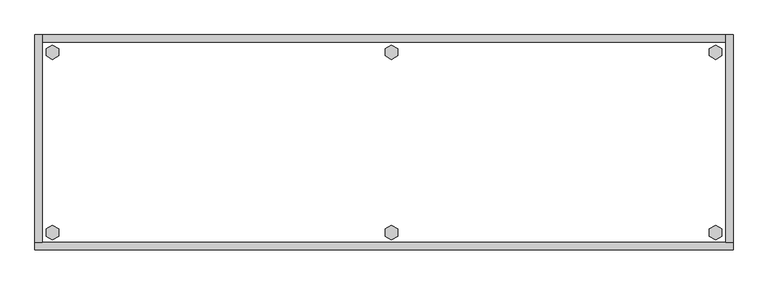
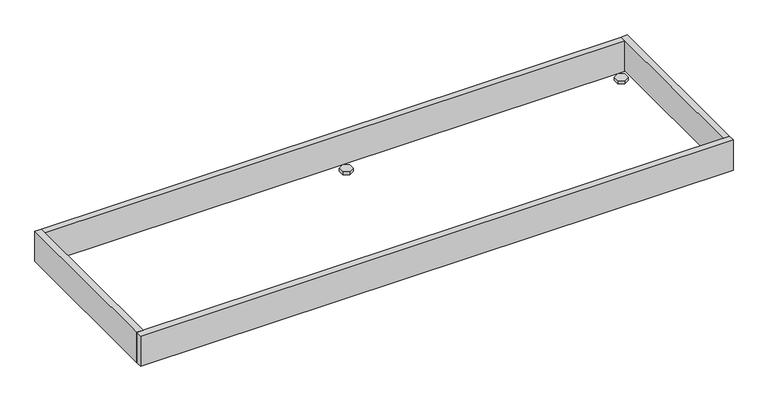
"""IFC4 building model written with IfcOpenShell, lengths in millimetres: furniture geometry."""

import ifcopenshell
import ifcopenshell.guid

model = None  # the IFC model being written
_history = None  # IfcOwnerHistory: only IFC2X3 demands one
_inside = {}  # id of a spatial element -> (the spatial element, [elements in it])
_under = {}  # id of a project, library or spatial element -> (it, [spatial elements below it])
_declared = {}  # id of a project -> (the project, [libraries it declares])
_typed = {}  # id of a type object -> (the type object, [elements of that type])
_made_of = {}  # id of a material, layer set ... -> (it, [elements and type objects made of it])


def new_model(schema):
    """Start an empty IFC model of exactly this schema.

    Asked for "IFC4X3", IfcOpenShell would pick the latest addendum, in which some entities
    have other attributes; the version numbers below select the first issue.
    IFC2X3 requires an IfcOwnerHistory on every rooted entity: one is made here for all.
    """
    global model, _history
    if schema == "IFC4X3":
        model = ifcopenshell.file(schema_version=(4, 3, 0, 0))
    else:
        model = ifcopenshell.file(schema=schema)
    _inside.clear()
    _under.clear()
    _declared.clear()
    _typed.clear()
    _made_of.clear()
    _history = None
    if model.schema == "IFC2X3":
        org = make("IfcOrganization", Name="unknown")
        user = make(
            "IfcPersonAndOrganization",
            ThePerson=make("IfcPerson", FamilyName="unknown"),
            TheOrganization=org,
        )
        app = make(
            "IfcApplication",
            ApplicationDeveloper=org,
            Version="unknown",
            ApplicationFullName="unknown",
            ApplicationIdentifier="unknown",
        )
        _history = make(
            "IfcOwnerHistory",
            OwningUser=user,
            OwningApplication=app,
            ChangeAction="ADDED",
            CreationDate=0,
        )
    return model


def make(cls, **values):
    """One entity of the class cls with the attributes given. An attribute that is None is left unset."""
    return model.create_entity(
        cls, **{name: value for name, value in values.items() if value is not None}
    )


def rooted(cls, **values):
    """An entity with a GlobalId (a new one), such as an element, a storey or a relation."""
    return make(cls, GlobalId=ifcopenshell.guid.new(), OwnerHistory=_history, **values)


def si_unit(unit_type, name, prefix=None):
    """IfcSIUnit, for example si_unit("LENGTHUNIT", "METRE", prefix="MILLI")."""
    return make("IfcSIUnit", UnitType=unit_type, Prefix=prefix, Name=name)


def assignment(units):
    """IfcUnitAssignment: the units of a project."""
    return None if units is None else make("IfcUnitAssignment", Units=units)


def point(xyz):
    """IfcCartesianPoint."""
    return None if xyz is None else make("IfcCartesianPoint", Coordinates=xyz)


def direction(xyz):
    """IfcDirection."""
    return None if xyz is None else make("IfcDirection", DirectionRatios=xyz)


def frame(location, z_axis=None, x_axis=None):
    """IfcAxis2Placement3D, a coordinate frame: its origin and axes. An axis left out is left unset."""
    return make(
        "IfcAxis2Placement3D",
        Location=point(location),
        Axis=direction(z_axis),
        RefDirection=direction(x_axis),
    )


def origin():
    """The frame at (0, 0, 0) with its axes left unset."""
    return frame((0.0, 0.0, 0.0))


def origin_with_axes():
    """The frame at (0, 0, 0) with the z axis (0, 0, 1) and the x axis (1, 0, 0) written out."""
    return frame((0.0, 0.0, 0.0), z_axis=(0.0, 0.0, 1.0), x_axis=(1.0, 0.0, 0.0))


def place(relative_to, where):
    """IfcLocalPlacement: puts the frame where relative to a parent placement (None: the world)."""
    return make(
        "IfcLocalPlacement", PlacementRelTo=relative_to, RelativePlacement=where
    )


def context(
    kind, dimensions, precision=None, world=None, true_north=None, identifier=None
):
    """IfcGeometricRepresentationContext, for example the 3D "Model" context."""
    return make(
        "IfcGeometricRepresentationContext",
        ContextIdentifier=identifier,
        ContextType=kind,
        CoordinateSpaceDimension=dimensions,
        Precision=precision,
        WorldCoordinateSystem=world,
        TrueNorth=true_north,
    )


def project(units=None, contexts=None):
    """IfcProject with its units and contexts."""
    return rooted(
        "IfcProject",
        Name="project",
        RepresentationContexts=contexts,
        UnitsInContext=assignment(units),
    )


def spatial(cls, under=None, at=None, **own):
    """A site, building, storey or space (cls), placed at a placement, below another one or the project."""
    s = rooted(cls, ObjectPlacement=at, **own)
    if under is not None:
        _under.setdefault(under.id(), (under, []))[1].append(s)
    return s


def polyline(points):
    """IfcPolyline through the points."""
    return make("IfcPolyline", Points=[point(p) for p in points])


def outline(outer, holes=None, kind="AREA"):
    """IfcArbitraryClosedProfileDef: a profile drawn as a closed curve; with holes, ...WithVoids."""
    if holes is None:
        return make("IfcArbitraryClosedProfileDef", ProfileType=kind, OuterCurve=outer)
    return make(
        "IfcArbitraryProfileDefWithVoids",
        ProfileType=kind,
        OuterCurve=outer,
        InnerCurves=holes,
    )


def extrude(swept, where, along, depth):
    """IfcExtrudedAreaSolid: the profile swept, set in the frame where, extruded along a direction by depth."""
    return make(
        "IfcExtrudedAreaSolid",
        SweptArea=swept,
        Position=where,
        ExtrudedDirection=direction(along),
        Depth=depth,
    )


def shape(context_of_items, identifier, shape_type, items):
    """IfcShapeRepresentation: the items that make up one representation, for example the "Body"."""
    return make(
        "IfcShapeRepresentation",
        ContextOfItems=context_of_items,
        RepresentationIdentifier=identifier,
        RepresentationType=shape_type,
        Items=items,
    )


def source(mapping_origin, context_of_items, identifier, shape_type, items):
    """IfcRepresentationMap: a shape defined once, which mapped items show again and again."""
    return make(
        "IfcRepresentationMap",
        MappingOrigin=mapping_origin,
        MappedRepresentation=shape(context_of_items, identifier, shape_type, items),
    )


def transform(
    local_origin,
    x_axis=None,
    y_axis=None,
    z_axis=None,
    scale=None,
    scale2=None,
    scale3=None,
    uniform=True,
):
    """IfcCartesianTransformationOperator3D, or its non-uniform kind. x_axis, y_axis, z_axis: its Axis1, 2, 3."""
    if uniform:
        return make(
            "IfcCartesianTransformationOperator3D",
            Axis1=direction(x_axis),
            Axis2=direction(y_axis),
            LocalOrigin=point(local_origin),
            Scale=scale,
            Axis3=direction(z_axis),
        )
    return make(
        "IfcCartesianTransformationOperator3DnonUniform",
        Axis1=direction(x_axis),
        Axis2=direction(y_axis),
        LocalOrigin=point(local_origin),
        Scale=scale,
        Axis3=direction(z_axis),
        Scale2=scale2,
        Scale3=scale3,
    )


def mapped(mapping_source, mapping_target):
    """IfcMappedItem: shows the shape of a source again, moved by a transform."""
    return make(
        "IfcMappedItem", MappingSource=mapping_source, MappingTarget=mapping_target
    )


def made_of(thing, what):
    """Note that an element or type object is made of a material, layer set ...; save() writes the relation."""
    if what is not None:
        _made_of.setdefault(what.id(), (what, []))[1].append(thing)
    return thing


def element(
    cls,
    number,
    at=None,
    inside=None,
    cuts=None,
    type_object=None,
    material=None,
    context=None,
    identifier="Body",
    shape_type=None,
    held_by="IfcProductDefinitionShape",
    body=None,
    shapes=None,
    **own,
):
    """One element of the class cls, such as IfcWall. Its Tag is "e" and its number.

    at: its placement. inside: the storey or other place that contains it. cuts: it is an
    opening in that element (IfcRelVoidsElement). A single representation is given by context,
    identifier, shape_type and body (its items); several are given by shapes. held_by: the class
    of the entity that holds the representations. save() writes the other relations.
    """
    e = rooted(cls, Tag="e%d" % number, ObjectPlacement=at, **own)
    if body is not None:
        shapes = [shape(context, identifier, shape_type, body)]
    if shapes is not None:
        e.Representation = make(held_by, Representations=shapes)
    if inside is not None:
        _inside.setdefault(inside.id(), (inside, []))[1].append(e)
    if cuts is not None:
        rooted(
            "IfcRelVoidsElement", RelatingBuildingElement=cuts, RelatedOpeningElement=e
        )
    if type_object is not None:
        _typed.setdefault(type_object.id(), (type_object, []))[1].append(e)
    return made_of(e, material)


def aggregate(whole, parts):
    """IfcRelAggregates: a whole, such as a stair, and the parts it consists of."""
    return rooted("IfcRelAggregates", RelatingObject=whole, RelatedObjects=parts)


def save(model, path):
    """Write the relations noted so far, then the file.

    IfcRelAggregates (storeys below a building ...), IfcRelContainedInSpatialStructure (elements
    in a storey), IfcRelDefinesByType, IfcRelAssociatesMaterial and IfcRelDeclares: one each for
    every whole, place, type object, material and project.
    """
    for whole, parts in _under.values():
        aggregate(whole, parts)
    for where, things in _inside.values():
        rooted(
            "IfcRelContainedInSpatialStructure",
            RelatedElements=things,
            RelatingStructure=where,
        )
    for kind, things in _typed.values():
        rooted("IfcRelDefinesByType", RelatedObjects=things, RelatingType=kind)
    for what, things in _made_of.values():
        rooted("IfcRelAssociatesMaterial", RelatedObjects=things, RelatingMaterial=what)
    for by, libraries in _declared.values():
        rooted("IfcRelDeclares", RelatingContext=by, RelatedDefinitions=libraries)
    model.write(path)


def furniture_9c3e5a78(model_context):
    return source(origin(), model_context, "Body", "SweptSolid", [
        extrude(outline(polyline([(1730.0735422, -498.8179), (1746.0214, -489.6104), (1761.9692578, -498.8179), (1761.9692578, -517.2329), (1746.0214, -526.4404), (1730.0735422, -517.2329), (1730.0735422, -498.8179)])), origin_with_axes(), (0.0, 0.0, 1.0), 9.144),
        extrude(outline(polyline([(1730.0735422, -35.4711), (1746.0214, -26.2636), (1761.9692578, -35.4711), (1761.9692578, -53.8861), (1746.0214, -63.0936), (1730.0735422, -53.8861), (1730.0735422, -35.4711)])), origin_with_axes(), (0.0, 0.0, 1.0), 9.144),
        extrude(outline(polyline([(898.4521422, -498.8179), (914.4, -489.6104), (930.3478578, -498.8179), (930.3478578, -517.2329), (914.4, -526.4404), (898.4521422, -517.2329), (898.4521422, -498.8179)])), origin_with_axes(), (0.0, 0.0, 1.0), 9.144),
        extrude(outline(polyline([(898.4521422, -35.4711), (914.4, -26.2636), (930.3478578, -35.4711), (930.3478578, -53.8861), (914.4, -63.0936), (898.4521422, -53.8861), (898.4521422, -35.4711)])), origin_with_axes(), (0.0, 0.0, 1.0), 9.144),
        extrude(outline(polyline([(28.7307422, -498.8179), (44.6786, -489.6104), (60.6264578, -498.8179), (60.6264578, -517.2329), (44.6786, -526.4404), (28.7307422, -517.2329), (28.7307422, -498.8179)])), origin_with_axes(), (0.0, 0.0, 1.0), 9.144),
        extrude(outline(polyline([(28.7307422, -35.4711), (44.6786, -26.2636), (60.6264578, -35.4711), (60.6264578, -53.8861), (44.6786, -63.0936), (28.7307422, -53.8861), (28.7307422, -35.4711)])), origin_with_axes(), (0.0, 0.0, 1.0), 9.144),
        extrude(outline(polyline([(19.304, 0.0), (19.304, -533.4), (0.0, -533.4), (0.0, 0.0), (19.304, 0.0)])), frame((0.0, 0.0, 4.699), z_axis=(0.0, 0.0, 1.0), x_axis=(1.0, 0.0, 0.0)), (0.0, 0.0, 1.0), 96.901),
        extrude(outline(polyline([(1790.7, 0.0), (1790.7, -533.4), (1771.396, -533.4), (1771.396, 0.0), (1790.7, 0.0)])), frame((0.0, 0.0, 4.699), z_axis=(0.0, 0.0, 1.0), x_axis=(1.0, 0.0, 0.0)), (0.0, 0.0, 1.0), 96.901),
        extrude(outline(polyline([(1771.396, -19.304), (19.304, -19.304), (19.304, 0.0), (1771.396, 0.0), (1771.396, -19.304)])), frame((0.0, 0.0, 4.699), z_axis=(0.0, 0.0, 1.0), x_axis=(1.0, 0.0, 0.0)), (0.0, 0.0, 1.0), 96.901),
        extrude(outline(polyline([(1790.7, -533.4), (1790.7, -552.704), (0.0, -552.704), (0.0, -533.4), (1790.7, -533.4)])), frame((0.0, 0.0, 4.699), z_axis=(0.0, 0.0, 1.0), x_axis=(1.0, 0.0, 0.0)), (0.0, 0.0, 1.0), 96.901),
    ])


if __name__ == "__main__":
    model = new_model("IFC4")
    model_context = context("Model", 3, world=origin())
    ifc_project = project(units=[si_unit("LENGTHUNIT", "METRE", prefix="MILLI")], contexts=[model_context])
    site = spatial("IfcSite", under=ifc_project)
    building = spatial("IfcBuilding", under=site)
    placement = place(None, origin())
    furniture_shape = furniture_9c3e5a78(model_context)
    element("IfcFurniture", 1, at=placement, inside=building, context=model_context, shape_type="MappedRepresentation", body=[
        mapped(furniture_shape, transform((0.0, 0.0, 0.0), x_axis=(1.0, 0.0, 0.0), y_axis=(0.0, 1.0, 0.0), z_axis=(0.0, 0.0, 1.0))),
    ])
    save(model, "model.ifc")
